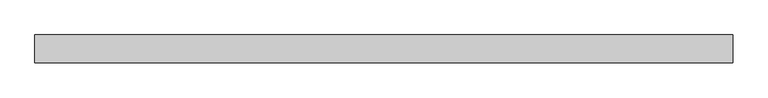
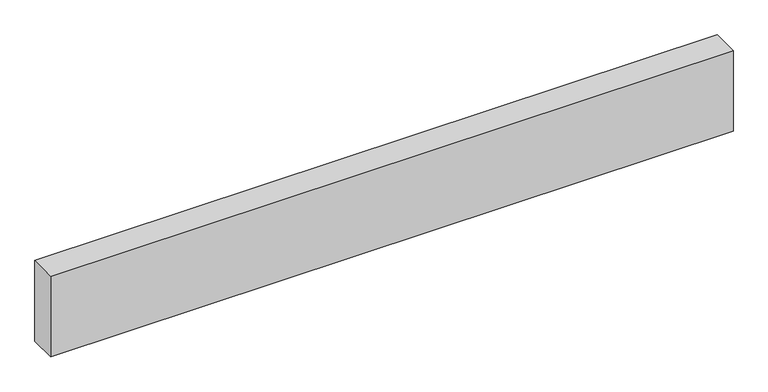
"""IFC4 building model written with IfcOpenShell, lengths in millimetres: beam geometry."""

from ifc_helpers import new_model, si_unit, frame, origin, place, context, project, spatial, polyline, outline, extrude, source, transform, mapped, element, save


def beam_efc6b18c(model_context):
    return source(origin(), model_context, "Body", "SweptSolid", [
        extrude(outline(polyline([(1000.0, 155.0), (1000.0, 75.0), (-1000.0, 75.0), (-1000.0, 155.0), (1000.0, 155.0)])), frame((0.0, 0.0, 2000.0), z_axis=(0.0, 0.0, 1.0), x_axis=(1.0, 0.0, 0.0)), (0.0, 0.0, 1.0), 250.0),
    ])


if __name__ == "__main__":
    model = new_model("IFC4")
    model_context = context("Model", 3, world=origin())
    ifc_project = project(units=[si_unit("LENGTHUNIT", "METRE", prefix="MILLI")], contexts=[model_context])
    site = spatial("IfcSite", under=ifc_project)
    building = spatial("IfcBuilding", under=site)
    placement = place(None, origin())
    beam_shape = beam_efc6b18c(model_context)
    element("IfcBeam", 1, at=placement, inside=building, context=model_context, shape_type="MappedRepresentation", body=[
        mapped(beam_shape, transform((0.0, 0.0, 0.0), x_axis=(1.0, 0.0, 0.0), y_axis=(0.0, 1.0, 0.0), z_axis=(0.0, 0.0, 1.0))),
    ])
    save(model, "model.ifc")
